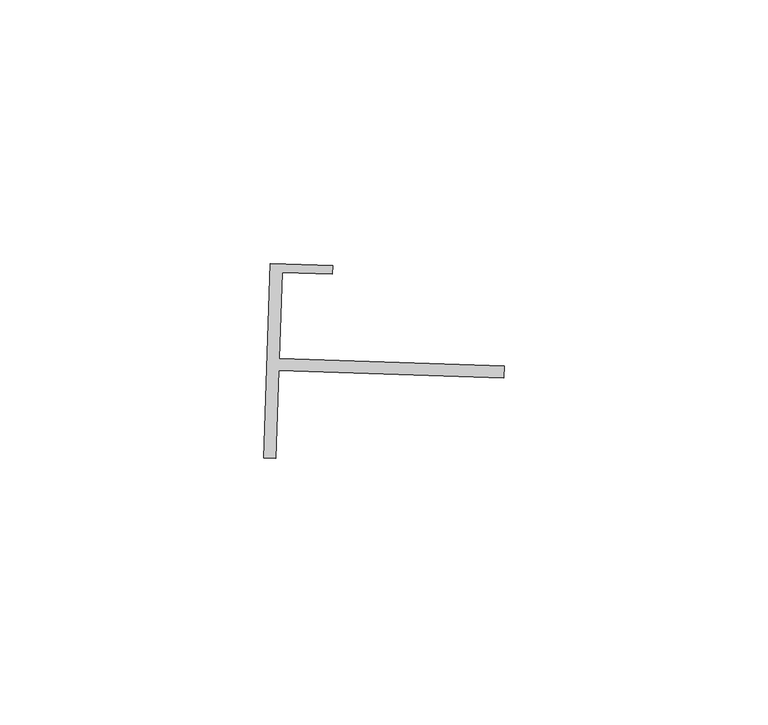
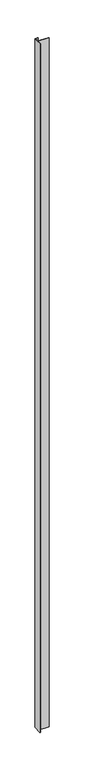
"""IFC4 building model written with IfcOpenShell, lengths in millimetres: proxy geometry."""

from ifc_helpers import new_model, si_unit, frame, origin, place, context, project, spatial, polyline, outline, extrude, source, transform, mapped, element, save


def generic_models_b74f06c5(model_context):
    return source(origin(), model_context, "Body", "SweptSolid", [
        extrude(outline(polyline([(18214.6505665, -14844.9598442), (18257.3210594, -14846.3807527), (18257.2449359, -14848.6667725), (18214.5744432, -14847.245864), (18214.0194008, -14863.914022), (18211.7334782, -14863.8379018), (18212.960913, -14826.9775073), (18224.7715043, -14827.3706006), (18224.7182171, -14828.9708339), (18215.1935551, -14828.6536669), (18214.6505665, -14844.9598442)])), frame((0.0, 0.0, 73.975708), z_axis=(0.0, 0.0, 1.0), x_axis=(1.0, 0.0, 0.0)), (0.0, 0.0, 1.0), 2959.11),
    ])


if __name__ == "__main__":
    model = new_model("IFC4")
    model_context = context("Model", 3, world=origin())
    ifc_project = project(units=[si_unit("LENGTHUNIT", "METRE", prefix="MILLI")], contexts=[model_context])
    site = spatial("IfcSite", under=ifc_project)
    building = spatial("IfcBuilding", under=site)
    placement = place(None, origin())
    generic_models_shape = generic_models_b74f06c5(model_context)
    element("IfcBuildingElementProxy", 1, Name="Generic Models", at=placement, inside=building, context=model_context, shape_type="MappedRepresentation", body=[
        mapped(generic_models_shape, transform((0.0, 0.0, 0.0), x_axis=(1.0, 0.0, 0.0), y_axis=(0.0, 1.0, 0.0), z_axis=(0.0, 0.0, 1.0))),
    ])
    save(model, "model.ifc")
